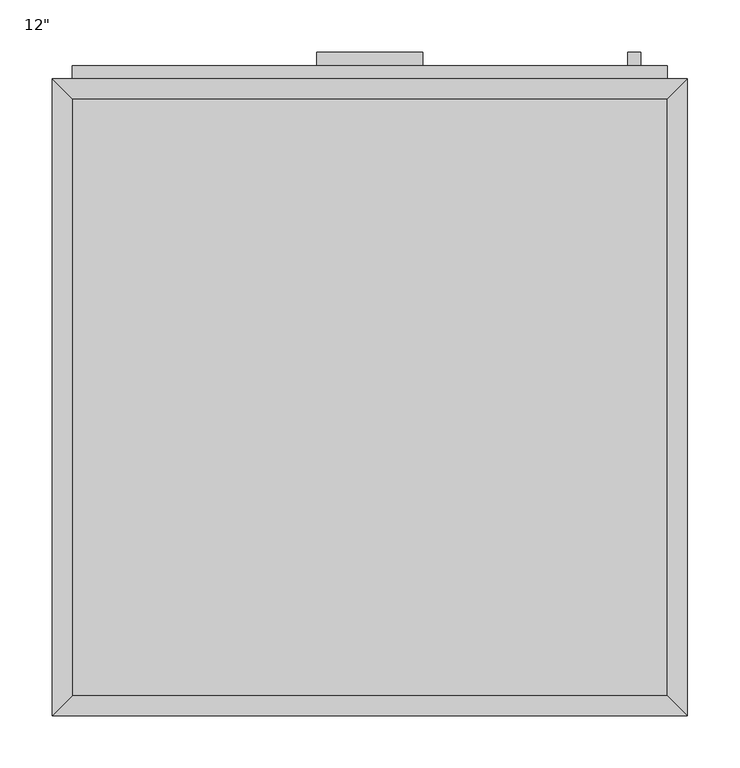
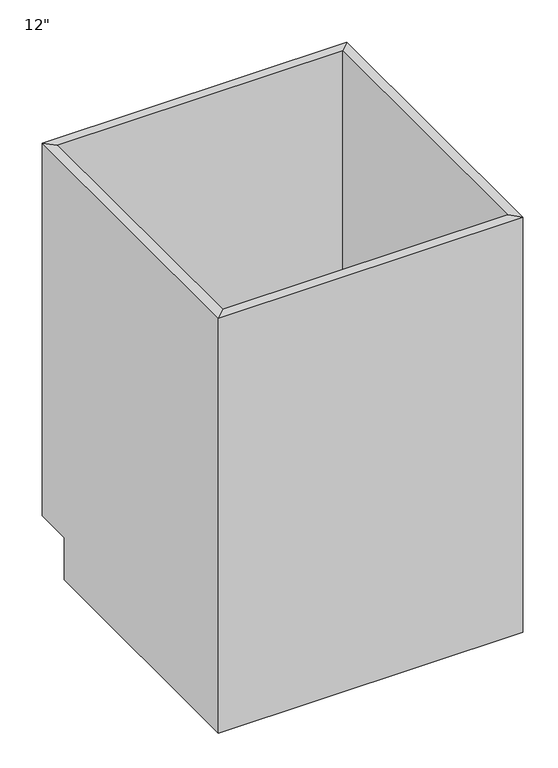
"""IFC4 building model written with IfcOpenShell, lengths in millimetres: furniture geometry."""

from ifc_helpers import new_model, si_unit, frame, origin, place, context, project, spatial, polyline, outline, extrude, faceted_brep, source, transform, mapped, element, save


def furniture_b3904d97(model_context):
    return source(origin(), model_context, "Body", "SolidModel", [
        faceted_brep([(303.6414909, 590.55, 876.3), (-266.166081, 590.55, 876.3), (-266.166081, 590.55, 88.9), (303.6414909, 590.55, 88.9), (322.6914909, 609.6, 876.3), (-285.216081, 609.6, 876.3), (322.6914909, 609.6, 88.9), (-285.216081, 609.6, 88.9), (-266.166081, 19.05, 876.3), (-266.166081, 19.05, 88.9), (-266.166081, 533.4, 88.9), (-285.216081, 0.0, 876.3), (-285.216081, 533.4, 88.9), (-285.216081, 533.4, 0.0), (-285.216081, 0.0, 0.0), (303.6414909, 19.05, 876.3), (303.6414909, 19.05, 88.9), (322.6914909, 0.0, 876.3), (322.6914909, 0.0, 0.0), (303.6414909, 533.4, 88.9), (322.6914909, 533.4, 0.0), (322.6914909, 533.4, 88.9)], [[[0, 1, 2, 3]], [[0, 4, 5, 1]], [[4, 6, 7, 5]], [[2, 7, 6, 3]], [[1, 8, 9, 10, 2]], [[5, 11, 8, 1]], [[7, 12, 13, 14, 11, 5]], [[2, 10, 12, 7]], [[8, 15, 16, 9]], [[11, 17, 15, 8]], [[14, 18, 17, 11]], [[3, 19, 16, 15, 0]], [[0, 15, 17, 4]], [[4, 17, 18, 20, 21, 6]], [[6, 21, 19, 3]], [[10, 9, 16, 19]], [[18, 14, 13, 20]], [[13, 12, 10, 19, 21, 20]]]),
        extrude(outline(polyline([(278.2414909, 635.0), (278.2414909, 622.3), (265.5414909, 622.3), (265.5414909, 635.0), (278.2414909, 635.0)])), frame((0.0, 0.0, 596.9), z_axis=(0.0, 0.0, 1.0), x_axis=(1.0, 0.0, 0.0)), (0.0, 0.0, 1.0), 101.6),
        extrude(outline(polyline([(69.5377049, 635.0), (69.5377049, 622.3), (-32.0622951, 622.3), (-32.0622951, 635.0), (69.5377049, 635.0)])), frame((0.0, 0.0, 819.15), z_axis=(0.0, 0.0, 1.0), x_axis=(1.0, 0.0, 0.0)), (0.0, 0.0, 1.0), 12.7),
        extrude(outline(polyline([(303.6414909, 622.3), (303.6414909, 609.6), (-266.166081, 609.6), (-266.166081, 622.3), (303.6414909, 622.3)])), frame((0.0, 0.0, 107.95), z_axis=(0.0, 0.0, 1.0), x_axis=(1.0, 0.0, 0.0)), (0.0, 0.0, 1.0), 628.65),
        extrude(outline(polyline([(303.6414909, 622.3), (303.6414909, 609.6), (-266.166081, 609.6), (-266.166081, 622.3), (303.6414909, 622.3)])), frame((0.0, 0.0, 755.65), z_axis=(0.0, 0.0, 1.0), x_axis=(1.0, 0.0, 0.0)), (0.0, 0.0, 1.0), 101.6),
        extrude(outline(polyline([(303.6414909, 19.05), (-266.166081, 19.05), (-266.166081, 590.55), (303.6414909, 590.55), (303.6414909, 19.05)])), frame((0.0, 0.0, 88.9), z_axis=(0.0, 0.0, 1.0), x_axis=(1.0, 0.0, 0.0)), (0.0, 0.0, 1.0), 19.05),
    ])


if __name__ == "__main__":
    model = new_model("IFC4")
    model_context = context("Model", 3, world=origin())
    ifc_project = project(units=[si_unit("LENGTHUNIT", "METRE", prefix="MILLI")], contexts=[model_context])
    site = spatial("IfcSite", under=ifc_project)
    building = spatial("IfcBuilding", under=site)
    placement = place(None, origin())
    furniture_shape = furniture_b3904d97(model_context)
    element("IfcFurniture", 1, ObjectType="12\"", at=placement, inside=building, context=model_context, shape_type="MappedRepresentation", body=[
        mapped(furniture_shape, transform((0.0, 0.0, 0.0), x_axis=(1.0, 0.0, 0.0), y_axis=(0.0, 1.0, 0.0), z_axis=(0.0, 0.0, 1.0))),
    ])
    save(model, "model.ifc")
